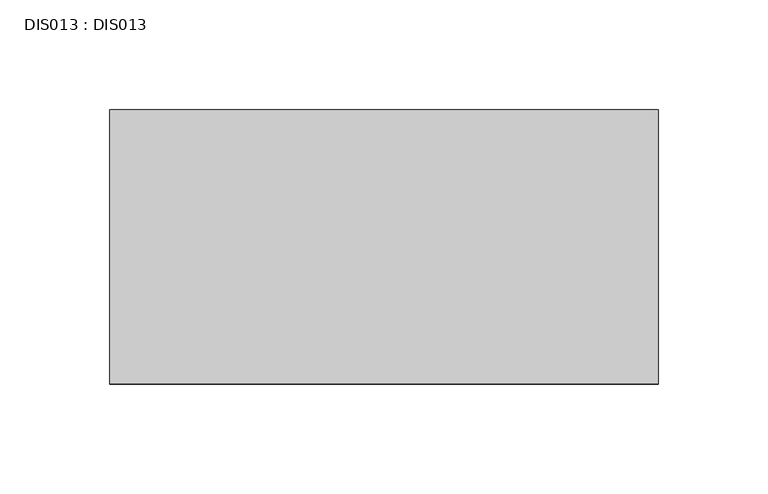
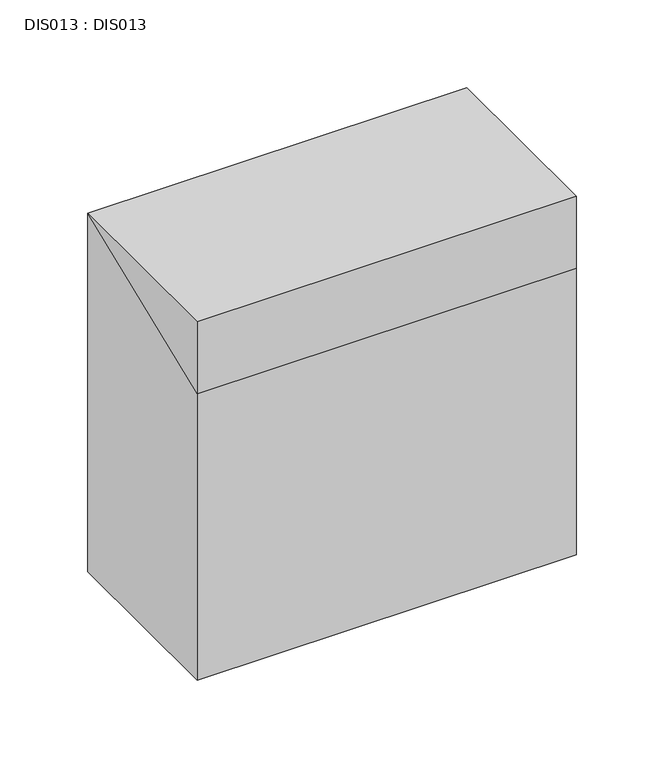
"""IFC4 building model written with IfcOpenShell, lengths in millimetres: proxy geometry, DIS013 : DIS013."""

from ifc_helpers import new_model, si_unit, frame, origin, place, context, project, spatial, polyline, outline, extrude, source, transform, mapped, element, save


def dis013_dis013_529c697e(model_context):
    return source(origin(), model_context, "Body", "SweptSolid", [
        extrude(outline(polyline([(-125.000001, 250.0000019), (0.0, 250.0000019), (-125.000001, 199.9999996), (-125.000001, 250.0000019)])), frame((0.0, 0.0, 0.0), z_axis=(1.0, 0.0, 0.0), x_axis=(0.0, 1.0, 0.0)), (0.0, 0.0, 1.0), 250.0),
        extrude(outline(polyline([(0.0, 0.0), (-125.000001, 0.0), (-125.000001, 199.9999996), (0.0, 250.0000019), (0.0, 0.0)])), frame((0.0, 0.0, 0.0), z_axis=(1.0, 0.0, 0.0), x_axis=(0.0, 1.0, 0.0)), (0.0, 0.0, 1.0), 250.0000019),
    ])


if __name__ == "__main__":
    model = new_model("IFC4")
    model_context = context("Model", 3, world=origin())
    ifc_project = project(units=[si_unit("LENGTHUNIT", "METRE", prefix="MILLI")], contexts=[model_context])
    site = spatial("IfcSite", under=ifc_project)
    building = spatial("IfcBuilding", under=site)
    placement = place(None, origin())
    dis013_dis013_shape = dis013_dis013_529c697e(model_context)
    element("IfcBuildingElementProxy", 1, Name="DIS013 : DIS013", ObjectType="DIS013 : DIS013", at=placement, inside=building, context=model_context, shape_type="MappedRepresentation", body=[
        mapped(dis013_dis013_shape, transform((0.0, 0.0, 0.0), x_axis=(1.0, 0.0, 0.0), y_axis=(0.0, 1.0, 0.0), z_axis=(0.0, 0.0, 1.0))),
    ])
    save(model, "model.ifc")
